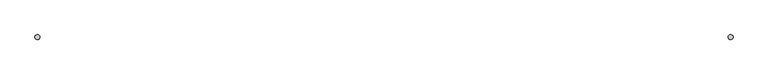
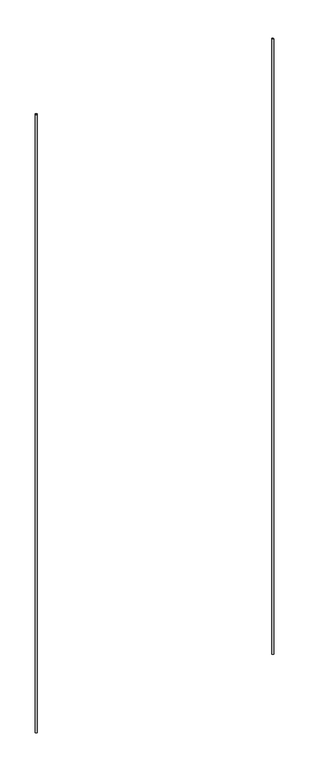
"""IFC4 building model written with IfcOpenShell, lengths in millimetres: flow terminal geometry."""

from ifc_helpers import new_model, si_unit, point, frame_2d, origin, origin_with_axes, place, context, project, spatial, circle_curve, trimmed, segment, composite_curve, outline, extrude, source, transform, mapped, element, save


def flow_terminal_c5ae42de(model_context):
    return source(origin(), model_context, "Body", "SweptSolid", [
        extrude(outline(composite_curve([segment(trimmed(circle_curve(frame_2d((3150.720737, -2155.7022443)), 50.0), [point((3100.720737, -2155.7022443))], [point((3200.720737, -2155.7022443))], False, "CARTESIAN"), True, "CONTINUOUS"), segment(trimmed(circle_curve(frame_2d((3150.720737, -2155.7022443)), 50.0), [point((3200.720737, -2155.7022443))], [point((3100.720737, -2155.7022443))], False, "CARTESIAN"), True, "CONTINUOUS")], self_intersect=False)), origin_with_axes(), (0.0, 0.0, 1.0), 38896.2837697),
        extrude(outline(composite_curve([segment(trimmed(circle_curve(frame_2d((17249.279263, -2155.7022443)), 50.0), [point((17299.279263, -2155.7022443))], [point((17199.279263, -2155.7022443))], False, "CARTESIAN"), True, "CONTINUOUS"), segment(trimmed(circle_curve(frame_2d((17249.279263, -2155.7022443)), 50.0), [point((17199.279263, -2155.7022443))], [point((17299.279263, -2155.7022443))], False, "CARTESIAN"), True, "CONTINUOUS")], self_intersect=False)), origin_with_axes(), (0.0, 0.0, 1.0), 38696.5274601),
    ])


if __name__ == "__main__":
    model = new_model("IFC4")
    model_context = context("Model", 3, world=origin())
    ifc_project = project(units=[si_unit("LENGTHUNIT", "METRE", prefix="MILLI")], contexts=[model_context])
    site = spatial("IfcSite", under=ifc_project)
    building = spatial("IfcBuilding", under=site)
    placement = place(None, origin())
    flow_terminal_shape = flow_terminal_c5ae42de(model_context)
    element("IfcFlowTerminal", 1, at=placement, inside=building, context=model_context, shape_type="MappedRepresentation", body=[
        mapped(flow_terminal_shape, transform((0.0, 0.0, 0.0), x_axis=(1.0, 0.0, 0.0), y_axis=(0.0, 1.0, 0.0), z_axis=(0.0, 0.0, 1.0))),
    ])
    save(model, "model.ifc")
